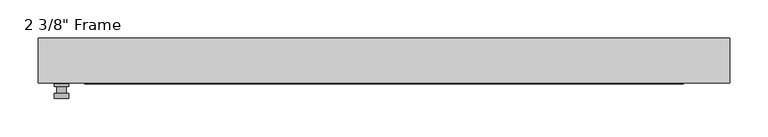
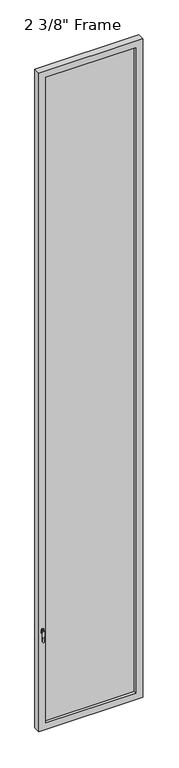
"""IFC4 building model written with IfcOpenShell, lengths in millimetres: plate geometry."""

import ifcopenshell
import ifcopenshell.guid

model = None  # the IFC model being written
_history = None  # IfcOwnerHistory: only IFC2X3 demands one
_inside = {}  # id of a spatial element -> (the spatial element, [elements in it])
_under = {}  # id of a project, library or spatial element -> (it, [spatial elements below it])
_declared = {}  # id of a project -> (the project, [libraries it declares])
_typed = {}  # id of a type object -> (the type object, [elements of that type])
_made_of = {}  # id of a material, layer set ... -> (it, [elements and type objects made of it])


def new_model(schema):
    """Start an empty IFC model of exactly this schema.

    Asked for "IFC4X3", IfcOpenShell would pick the latest addendum, in which some entities
    have other attributes; the version numbers below select the first issue.
    IFC2X3 requires an IfcOwnerHistory on every rooted entity: one is made here for all.
    """
    global model, _history
    if schema == "IFC4X3":
        model = ifcopenshell.file(schema_version=(4, 3, 0, 0))
    else:
        model = ifcopenshell.file(schema=schema)
    _inside.clear()
    _under.clear()
    _declared.clear()
    _typed.clear()
    _made_of.clear()
    _history = None
    if model.schema == "IFC2X3":
        org = make("IfcOrganization", Name="unknown")
        user = make(
            "IfcPersonAndOrganization",
            ThePerson=make("IfcPerson", FamilyName="unknown"),
            TheOrganization=org,
        )
        app = make(
            "IfcApplication",
            ApplicationDeveloper=org,
            Version="unknown",
            ApplicationFullName="unknown",
            ApplicationIdentifier="unknown",
        )
        _history = make(
            "IfcOwnerHistory",
            OwningUser=user,
            OwningApplication=app,
            ChangeAction="ADDED",
            CreationDate=0,
        )
    return model


def make(cls, **values):
    """One entity of the class cls with the attributes given. An attribute that is None is left unset."""
    return model.create_entity(
        cls, **{name: value for name, value in values.items() if value is not None}
    )


def rooted(cls, **values):
    """An entity with a GlobalId (a new one), such as an element, a storey or a relation."""
    return make(cls, GlobalId=ifcopenshell.guid.new(), OwnerHistory=_history, **values)


def si_unit(unit_type, name, prefix=None):
    """IfcSIUnit, for example si_unit("LENGTHUNIT", "METRE", prefix="MILLI")."""
    return make("IfcSIUnit", UnitType=unit_type, Prefix=prefix, Name=name)


def assignment(units):
    """IfcUnitAssignment: the units of a project."""
    return None if units is None else make("IfcUnitAssignment", Units=units)


def point(xyz):
    """IfcCartesianPoint."""
    return None if xyz is None else make("IfcCartesianPoint", Coordinates=xyz)


def direction(xyz):
    """IfcDirection."""
    return None if xyz is None else make("IfcDirection", DirectionRatios=xyz)


def frame(location, z_axis=None, x_axis=None):
    """IfcAxis2Placement3D, a coordinate frame: its origin and axes. An axis left out is left unset."""
    return make(
        "IfcAxis2Placement3D",
        Location=point(location),
        Axis=direction(z_axis),
        RefDirection=direction(x_axis),
    )


def origin():
    """The frame at (0, 0, 0) with its axes left unset."""
    return frame((0.0, 0.0, 0.0))


def place(relative_to, where):
    """IfcLocalPlacement: puts the frame where relative to a parent placement (None: the world)."""
    return make(
        "IfcLocalPlacement", PlacementRelTo=relative_to, RelativePlacement=where
    )


def context(
    kind, dimensions, precision=None, world=None, true_north=None, identifier=None
):
    """IfcGeometricRepresentationContext, for example the 3D "Model" context."""
    return make(
        "IfcGeometricRepresentationContext",
        ContextIdentifier=identifier,
        ContextType=kind,
        CoordinateSpaceDimension=dimensions,
        Precision=precision,
        WorldCoordinateSystem=world,
        TrueNorth=true_north,
    )


def project(units=None, contexts=None):
    """IfcProject with its units and contexts."""
    return rooted(
        "IfcProject",
        Name="project",
        RepresentationContexts=contexts,
        UnitsInContext=assignment(units),
    )


def spatial(cls, under=None, at=None, **own):
    """A site, building, storey or space (cls), placed at a placement, below another one or the project."""
    s = rooted(cls, ObjectPlacement=at, **own)
    if under is not None:
        _under.setdefault(under.id(), (under, []))[1].append(s)
    return s


def polyline(points):
    """IfcPolyline through the points."""
    return make("IfcPolyline", Points=[point(p) for p in points])


def circle_curve(where, radius):
    """IfcCircle in the frame where."""
    return make("IfcCircle", Position=where, Radius=radius)


def outline(outer, holes=None, kind="AREA"):
    """IfcArbitraryClosedProfileDef: a profile drawn as a closed curve; with holes, ...WithVoids."""
    if holes is None:
        return make("IfcArbitraryClosedProfileDef", ProfileType=kind, OuterCurve=outer)
    return make(
        "IfcArbitraryProfileDefWithVoids",
        ProfileType=kind,
        OuterCurve=outer,
        InnerCurves=holes,
    )


def extrude(swept, where, along, depth):
    """IfcExtrudedAreaSolid: the profile swept, set in the frame where, extruded along a direction by depth."""
    return make(
        "IfcExtrudedAreaSolid",
        SweptArea=swept,
        Position=where,
        ExtrudedDirection=direction(along),
        Depth=depth,
    )


def faces_of(points, faces, orient=None, outer=None):
    """IfcFace entities. A face is a list of loops; a loop is a list of indices into points, from 0.

    orient and outer hold one flag for each loop. By default every Orientation is true, the
    first loop of a face is its IfcFaceOuterBound and the others are IfcFaceBound.
    """
    made = []
    for i, loops in enumerate(faces):
        bounds = []
        for j, loop in enumerate(loops):
            is_outer = j == 0 if outer is None else outer[i][j]
            bounds.append(
                make(
                    "IfcFaceOuterBound" if is_outer else "IfcFaceBound",
                    Bound=make("IfcPolyLoop", Polygon=[points[k] for k in loop]),
                    Orientation=True if orient is None else orient[i][j],
                )
            )
        made.append(make("IfcFace", Bounds=bounds))
    return made


def faceted_brep(points, faces, orient=None, outer=None, voids=None):
    """IfcFacetedBrep: a solid bounded by flat faces; with voids (closed shells), ...WithVoids."""
    shared = [point(p) for p in points]
    hull = make("IfcClosedShell", CfsFaces=faces_of(shared, faces, orient, outer))
    if voids is None:
        return make("IfcFacetedBrep", Outer=hull)
    return make(
        "IfcFacetedBrepWithVoids",
        Outer=hull,
        Voids=[
            make(cls, CfsFaces=faces_of(shared, fs, o, b)) for cls, fs, o, b in voids
        ],
    )


def shape(context_of_items, identifier, shape_type, items):
    """IfcShapeRepresentation: the items that make up one representation, for example the "Body"."""
    return make(
        "IfcShapeRepresentation",
        ContextOfItems=context_of_items,
        RepresentationIdentifier=identifier,
        RepresentationType=shape_type,
        Items=items,
    )


def source(mapping_origin, context_of_items, identifier, shape_type, items):
    """IfcRepresentationMap: a shape defined once, which mapped items show again and again."""
    return make(
        "IfcRepresentationMap",
        MappingOrigin=mapping_origin,
        MappedRepresentation=shape(context_of_items, identifier, shape_type, items),
    )


def transform(
    local_origin,
    x_axis=None,
    y_axis=None,
    z_axis=None,
    scale=None,
    scale2=None,
    scale3=None,
    uniform=True,
):
    """IfcCartesianTransformationOperator3D, or its non-uniform kind. x_axis, y_axis, z_axis: its Axis1, 2, 3."""
    if uniform:
        return make(
            "IfcCartesianTransformationOperator3D",
            Axis1=direction(x_axis),
            Axis2=direction(y_axis),
            LocalOrigin=point(local_origin),
            Scale=scale,
            Axis3=direction(z_axis),
        )
    return make(
        "IfcCartesianTransformationOperator3DnonUniform",
        Axis1=direction(x_axis),
        Axis2=direction(y_axis),
        LocalOrigin=point(local_origin),
        Scale=scale,
        Axis3=direction(z_axis),
        Scale2=scale2,
        Scale3=scale3,
    )


def mapped(mapping_source, mapping_target):
    """IfcMappedItem: shows the shape of a source again, moved by a transform."""
    return make(
        "IfcMappedItem", MappingSource=mapping_source, MappingTarget=mapping_target
    )


def made_of(thing, what):
    """Note that an element or type object is made of a material, layer set ...; save() writes the relation."""
    if what is not None:
        _made_of.setdefault(what.id(), (what, []))[1].append(thing)
    return thing


def element(
    cls,
    number,
    at=None,
    inside=None,
    cuts=None,
    type_object=None,
    material=None,
    context=None,
    identifier="Body",
    shape_type=None,
    held_by="IfcProductDefinitionShape",
    body=None,
    shapes=None,
    **own,
):
    """One element of the class cls, such as IfcWall. Its Tag is "e" and its number.

    at: its placement. inside: the storey or other place that contains it. cuts: it is an
    opening in that element (IfcRelVoidsElement). A single representation is given by context,
    identifier, shape_type and body (its items); several are given by shapes. held_by: the class
    of the entity that holds the representations. save() writes the other relations.
    """
    e = rooted(cls, Tag="e%d" % number, ObjectPlacement=at, **own)
    if body is not None:
        shapes = [shape(context, identifier, shape_type, body)]
    if shapes is not None:
        e.Representation = make(held_by, Representations=shapes)
    if inside is not None:
        _inside.setdefault(inside.id(), (inside, []))[1].append(e)
    if cuts is not None:
        rooted(
            "IfcRelVoidsElement", RelatingBuildingElement=cuts, RelatedOpeningElement=e
        )
    if type_object is not None:
        _typed.setdefault(type_object.id(), (type_object, []))[1].append(e)
    return made_of(e, material)


def aggregate(whole, parts):
    """IfcRelAggregates: a whole, such as a stair, and the parts it consists of."""
    return rooted("IfcRelAggregates", RelatingObject=whole, RelatedObjects=parts)


def save(model, path):
    """Write the relations noted so far, then the file.

    IfcRelAggregates (storeys below a building ...), IfcRelContainedInSpatialStructure (elements
    in a storey), IfcRelDefinesByType, IfcRelAssociatesMaterial and IfcRelDeclares: one each for
    every whole, place, type object, material and project.
    """
    for whole, parts in _under.values():
        aggregate(whole, parts)
    for where, things in _inside.values():
        rooted(
            "IfcRelContainedInSpatialStructure",
            RelatedElements=things,
            RelatingStructure=where,
        )
    for kind, things in _typed.values():
        rooted("IfcRelDefinesByType", RelatedObjects=things, RelatingType=kind)
    for what, things in _made_of.values():
        rooted("IfcRelAssociatesMaterial", RelatedObjects=things, RelatingMaterial=what)
    for by, libraries in _declared.values():
        rooted("IfcRelDeclares", RelatingContext=by, RelatedDefinitions=libraries)
    model.write(path)


def plane_surface(at):
    """IfcPlane: the flat surface through the origin of the frame at, square to its z axis."""
    return make("IfcPlane", Position=at)


def cylinder_surface(at, radius):
    """IfcCylindricalSurface: all points at the distance radius from the z axis of the frame at."""
    return make("IfcCylindricalSurface", Position=at, Radius=radius)


def advanced_brep(points, edges, surfaces, faces):
    """IfcAdvancedBrep: a solid bounded by faces that lie on surfaces and meet in shared edges.

    An edge is (start, end): straight between two places in points (the first is 0);
    or (start, end, curve); or (start, end, curve, False) where it runs against its curve.
    A face is (place in surfaces, loops), or (place, loops, False) where it looks against
    its surface's normal. A loop lists edges by number (the first is 1), with a minus sign
    where the edge is run from its end to its start. The first loop is the outer one.
    """
    corners = [point(p) for p in points]
    vertices = [make("IfcVertexPoint", VertexGeometry=c) for c in corners]
    made = []
    for start, end, *more in edges:
        made.append(
            make(
                "IfcEdgeCurve",
                EdgeStart=vertices[start],
                EdgeEnd=vertices[end],
                EdgeGeometry=more[0] if more else make("IfcPolyline", Points=[corners[start], corners[end]]),
                SameSense=more[1] if len(more) > 1 else True,
            )
        )
    hull = []
    for where, loops, *sense in faces:
        bounds = []
        for j, loop in enumerate(loops):
            ring = [make("IfcOrientedEdge", EdgeElement=made[abs(k) - 1], Orientation=k > 0) for k in loop]
            bounds.append(
                make(
                    "IfcFaceOuterBound" if j == 0 else "IfcFaceBound",
                    Bound=make("IfcEdgeLoop", EdgeList=ring),
                    Orientation=True,
                )
            )
        hull.append(make("IfcAdvancedFace", Bounds=bounds, FaceSurface=surfaces[where], SameSense=sense[0] if sense else True))
    return make("IfcAdvancedBrep", Outer=make("IfcClosedShell", CfsFaces=hull))


def plate_2ce40b7f(model_context):
    return source(origin(), model_context, "Body", "SolidModel", [
        advanced_brep(
        [(-410.5275, -29.36875, 927.1), (-410.5275, -29.36875, 901.7), (-429.5775, -29.36875, 901.7), (-429.5775, -29.36875, 927.1), (-413.7025, -42.06875, 914.4), (-426.4025, -42.06875, 914.4), (-426.4025, -32.54375, 914.4), (-413.7025, -32.54375, 914.4), (-410.5275, -42.06875, 914.4), (-413.7065356, -42.06875, 825.2736467), (-426.3984644, -42.06875, 825.2736467), (-429.5775, -42.06875, 914.4), (-410.5275, -48.41875, 914.4), (-429.5775, -48.41875, 914.4), (-426.3984644, -48.41875, 825.2736467), (-413.7065356, -48.41875, 825.2736467), (-410.5275, -32.54375, 927.1), (-429.5775, -32.54375, 927.1), (-429.5775, -32.54375, 901.7), (-410.5275, -32.54375, 901.7)],
        [
            (0, 1),
            (1, 2, circle_curve(frame((-420.0525, -29.36875, 901.7), z_axis=(0.0, 1.0, 0.0), x_axis=(-1.0, 0.0, 0.0)), 9.525)),
            (2, 3),
            (3, 0, circle_curve(frame((-420.0525, -29.36875, 927.1), z_axis=(0.0, 1.0, 0.0), x_axis=(-1.0, 0.0, 0.0)), 9.525)),
            (4, 5, circle_curve(frame((-420.0525, -42.06875, 914.4), z_axis=(0.0, 1.0, 0.0), x_axis=(-1.0, 0.0, 0.0)), 6.35)),
            (5, 6),
            (6, 7, circle_curve(frame((-420.0525, -32.54375, 914.4), z_axis=(0.0, -1.0, 0.0), x_axis=(-1.0, 0.0, 0.0)), 6.35)),
            (7, 4),
            (5, 4, circle_curve(frame((-420.0525, -42.06875, 914.4), z_axis=(0.0, 1.0, 0.0), x_axis=(-1.0, 0.0, 0.0)), 6.35)),
            (7, 6, circle_curve(frame((-420.0525, -32.54375, 914.4), z_axis=(0.0, -1.0, 0.0), x_axis=(-1.0, 0.0, 0.0)), 6.35)),
            (8, 9),
            (9, 10, circle_curve(frame((-420.0525, -42.06875, 825.5), z_axis=(0.0, 1.0, 0.0), x_axis=(-1.0, 0.0, 0.0)), 6.35)),
            (10, 11),
            (11, 8, circle_curve(frame((-420.0525, -42.06875, 914.4), z_axis=(0.0, 1.0, 0.0), x_axis=(-1.0, 0.0, 0.0)), 9.525)),
            (12, 13, circle_curve(frame((-420.0525, -48.41875, 914.4), z_axis=(0.0, -1.0, 0.0), x_axis=(-1.0, 0.0, 0.0)), 9.525)),
            (13, 14),
            (14, 15, circle_curve(frame((-420.0525, -48.41875, 825.5), z_axis=(0.0, -1.0, 0.0), x_axis=(-1.0, 0.0, 0.0)), 6.35)),
            (15, 12),
            (8, 12),
            (15, 9),
            (14, 10),
            (13, 11),
            (16, 17, circle_curve(frame((-420.0525, -32.54375, 927.1), z_axis=(0.0, -1.0, 0.0), x_axis=(-1.0, 0.0, 0.0)), 9.525)),
            (17, 18),
            (18, 19, circle_curve(frame((-420.0525, -32.54375, 901.7), z_axis=(0.0, -1.0, 0.0), x_axis=(-1.0, 0.0, 0.0)), 9.525)),
            (19, 16),
            (0, 16),
            (19, 1),
            (18, 2),
            (17, 3),
        ],
        [
            plane_surface(frame((-426.4025, -29.36875, 914.4), z_axis=(0.0, 1.0, 0.0), x_axis=(0.0, 0.0, 1.0))),
            cylinder_surface(frame((-420.0525, -42.06875, 914.4), z_axis=(0.0, 1.0, 0.0), x_axis=(-1.0, 0.0, 0.0)), 6.35),
            plane_surface(frame((-410.5275, -42.06875, 914.4), z_axis=(0.0, 1.0000000000000002, 0.0), x_axis=(-0.03564619348186888, 0.0, -0.9993644724975235))),
            plane_surface(frame((-410.5275, -48.41875, 914.4), z_axis=(0.0, -1.0000000000000002, 0.0), x_axis=(0.03564619348186888, 0.0, 0.9993644724975235))),
            plane_surface(frame((-410.5275, -42.06875, 914.4), z_axis=(0.9993644724975235, 0.0, -0.03564619348186888), x_axis=(0.0, -1.0, 0.0))),
            cylinder_surface(frame((-420.0525, -48.41875, 825.5), z_axis=(0.0, 1.0, 0.0), x_axis=(-1.0, 0.0, 0.0)), 6.35),
            plane_surface(frame((-426.3984644, -42.06875, 825.2736467), z_axis=(-0.9993644724975228, 0.0, -0.03564619348188612), x_axis=(0.0, -1.0, 0.0))),
            cylinder_surface(frame((-420.0525, -48.41875, 914.4), z_axis=(0.0, 1.0, 0.0), x_axis=(-1.0, 0.0, 0.0)), 9.525),
            plane_surface(frame((-410.5275, -32.54375, 901.7), z_axis=(0.0, -1.0, 0.0), x_axis=(0.0, 0.0, 1.0))),
            plane_surface(frame((-410.5275, -29.36875, 927.1), z_axis=(1.0, 0.0, 0.0), x_axis=(0.0, -1.0, 0.0))),
            cylinder_surface(frame((-420.0525, -32.54375, 901.7), z_axis=(0.0, 1.0, 0.0), x_axis=(-1.0, 0.0, 0.0)), 9.525),
            plane_surface(frame((-429.5775, -29.36875, 901.7), z_axis=(-1.0, 0.0, 0.0), x_axis=(0.0, -1.0, 0.0))),
            cylinder_surface(frame((-420.0525, -32.54375, 927.1), z_axis=(0.0, 1.0, 0.0), x_axis=(-1.0, 0.0, 0.0)), 9.525),
        ],
        [
            (0, [[1, 2, 3, 4]]),
            (1, [[5, 6, 7, 8]]),
            (1, [[9, -8, 10, -6]]),
            (2, [[11, 12, 13, 14], [-5, -9]]),
            (3, [[15, 16, 17, 18]]),
            (4, [[-11, 19, -18, 20]]),
            (5, [[-12, -20, -17, 21]]),
            (6, [[-13, -21, -16, 22]]),
            (7, [[-14, -22, -15, -19]]),
            (8, [[23, 24, 25, 26], [-7, -10]]),
            (9, [[-1, 27, -26, 28]]),
            (10, [[-2, -28, -25, 29]]),
            (11, [[-3, -29, -24, 30]]),
            (12, [[-4, -30, -23, -27]]),
        ],
    ),
        faceted_brep([(-450.215, -29.36875, 0.0), (-450.215, 29.36875, 0.0), (450.215, 29.36875, 0.0), (450.215, -29.36875, 0.0), (-389.89, 29.36875, 5975.35), (-389.89, 19.84375, 5975.35), (-389.89, 19.84375, 60.325), (-389.89, 29.36875, 60.325), (402.59, 19.84375, 5988.05), (-402.59, 19.84375, 5988.05), (-402.59, 19.84375, 47.625), (402.59, 19.84375, 47.625), (389.89, 19.84375, 5975.35), (389.89, 19.84375, 60.325), (-402.59, -3.96875, 5988.05), (-402.59, -3.96875, 47.625), (402.59, -3.96875, 5988.05), (402.59, -3.96875, 47.625), (-389.89, -3.96875, 5975.35), (-389.89, -3.96875, 60.325), (389.89, -3.96875, 60.325), (389.89, -3.96875, 5975.35), (-389.89, -29.36875, 5975.35), (-389.89, -29.36875, 60.325), (450.215, -29.36875, 6035.675), (-450.215, -29.36875, 6035.675), (389.89, -29.36875, 5975.35), (389.89, -29.36875, 60.325), (-450.215, 29.36875, 6035.675), (450.215, 29.36875, 6035.675), (389.89, 29.36875, 60.325), (389.89, 29.36875, 5975.35)], [[[0, 1, 2, 3]], [[4, 5, 6, 7]], [[8, 9, 10, 11], [5, 12, 13, 6]], [[10, 9, 14, 15]], [[14, 16, 17, 15], [18, 19, 20, 21]], [[18, 22, 23, 19]], [[0, 3, 24, 25], [22, 26, 27, 23]], [[1, 0, 25, 28]], [[2, 1, 28, 29], [4, 7, 30, 31]], [[5, 4, 31, 12]], [[9, 8, 16, 14]], [[18, 21, 26, 22]], [[25, 24, 29, 28]], [[12, 31, 30, 13]], [[17, 16, 8, 11]], [[26, 21, 20, 27]], [[24, 3, 2, 29]], [[23, 27, 20, 19]], [[11, 10, 15, 17]], [[6, 13, 30, 7]]]),
        extrude(outline(polyline([(402.59, -3.96875), (-402.59, -3.96875), (-402.59, 19.84375), (402.59, 19.84375), (402.59, -3.96875)])), frame((0.0, 0.0, 47.625), z_axis=(0.0, 0.0, 1.0), x_axis=(1.0, 0.0, 0.0)), (0.0, 0.0, 1.0), 5940.425),
    ])


if __name__ == "__main__":
    model = new_model("IFC4")
    model_context = context("Model", 3, world=origin())
    ifc_project = project(units=[si_unit("LENGTHUNIT", "METRE", prefix="MILLI")], contexts=[model_context])
    site = spatial("IfcSite", under=ifc_project)
    building = spatial("IfcBuilding", under=site)
    placement = place(None, origin())
    plate_shape = plate_2ce40b7f(model_context)
    element("IfcPlate", 1, ObjectType="2 3/8\" Frame", at=placement, inside=building, context=model_context, shape_type="MappedRepresentation", body=[
        mapped(plate_shape, transform((0.0, 0.0, 0.0), x_axis=(1.0, 0.0, 0.0), y_axis=(0.0, 1.0, 0.0), z_axis=(0.0, 0.0, 1.0))),
    ])
    save(model, "model.ifc")
